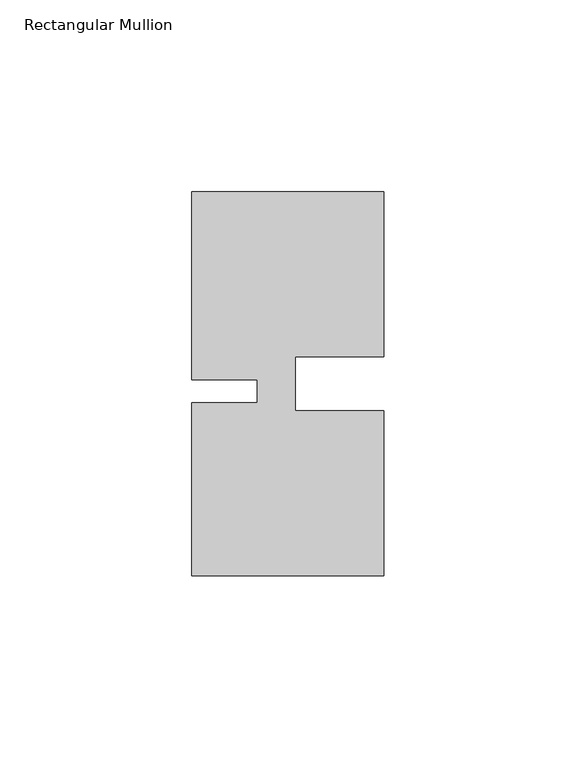
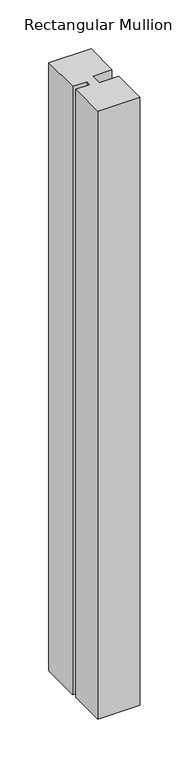
"""IFC4 building model written with IfcOpenShell, lengths in millimetres: member geometry, Rectangular Mullion."""

import ifcopenshell
import ifcopenshell.guid

model = None  # the IFC model being written
_history = None  # IfcOwnerHistory: only IFC2X3 demands one
_inside = {}  # id of a spatial element -> (the spatial element, [elements in it])
_under = {}  # id of a project, library or spatial element -> (it, [spatial elements below it])
_declared = {}  # id of a project -> (the project, [libraries it declares])
_typed = {}  # id of a type object -> (the type object, [elements of that type])
_made_of = {}  # id of a material, layer set ... -> (it, [elements and type objects made of it])


def new_model(schema):
    """Start an empty IFC model of exactly this schema.

    Asked for "IFC4X3", IfcOpenShell would pick the latest addendum, in which some entities
    have other attributes; the version numbers below select the first issue.
    IFC2X3 requires an IfcOwnerHistory on every rooted entity: one is made here for all.
    """
    global model, _history
    if schema == "IFC4X3":
        model = ifcopenshell.file(schema_version=(4, 3, 0, 0))
    else:
        model = ifcopenshell.file(schema=schema)
    _inside.clear()
    _under.clear()
    _declared.clear()
    _typed.clear()
    _made_of.clear()
    _history = None
    if model.schema == "IFC2X3":
        org = make("IfcOrganization", Name="unknown")
        user = make(
            "IfcPersonAndOrganization",
            ThePerson=make("IfcPerson", FamilyName="unknown"),
            TheOrganization=org,
        )
        app = make(
            "IfcApplication",
            ApplicationDeveloper=org,
            Version="unknown",
            ApplicationFullName="unknown",
            ApplicationIdentifier="unknown",
        )
        _history = make(
            "IfcOwnerHistory",
            OwningUser=user,
            OwningApplication=app,
            ChangeAction="ADDED",
            CreationDate=0,
        )
    return model


def make(cls, **values):
    """One entity of the class cls with the attributes given. An attribute that is None is left unset."""
    return model.create_entity(
        cls, **{name: value for name, value in values.items() if value is not None}
    )


def rooted(cls, **values):
    """An entity with a GlobalId (a new one), such as an element, a storey or a relation."""
    return make(cls, GlobalId=ifcopenshell.guid.new(), OwnerHistory=_history, **values)


def si_unit(unit_type, name, prefix=None):
    """IfcSIUnit, for example si_unit("LENGTHUNIT", "METRE", prefix="MILLI")."""
    return make("IfcSIUnit", UnitType=unit_type, Prefix=prefix, Name=name)


def assignment(units):
    """IfcUnitAssignment: the units of a project."""
    return None if units is None else make("IfcUnitAssignment", Units=units)


def point(xyz):
    """IfcCartesianPoint."""
    return None if xyz is None else make("IfcCartesianPoint", Coordinates=xyz)


def direction(xyz):
    """IfcDirection."""
    return None if xyz is None else make("IfcDirection", DirectionRatios=xyz)


def frame(location, z_axis=None, x_axis=None):
    """IfcAxis2Placement3D, a coordinate frame: its origin and axes. An axis left out is left unset."""
    return make(
        "IfcAxis2Placement3D",
        Location=point(location),
        Axis=direction(z_axis),
        RefDirection=direction(x_axis),
    )


def origin():
    """The frame at (0, 0, 0) with its axes left unset."""
    return frame((0.0, 0.0, 0.0))


def place(relative_to, where):
    """IfcLocalPlacement: puts the frame where relative to a parent placement (None: the world)."""
    return make(
        "IfcLocalPlacement", PlacementRelTo=relative_to, RelativePlacement=where
    )


def context(
    kind, dimensions, precision=None, world=None, true_north=None, identifier=None
):
    """IfcGeometricRepresentationContext, for example the 3D "Model" context."""
    return make(
        "IfcGeometricRepresentationContext",
        ContextIdentifier=identifier,
        ContextType=kind,
        CoordinateSpaceDimension=dimensions,
        Precision=precision,
        WorldCoordinateSystem=world,
        TrueNorth=true_north,
    )


def project(units=None, contexts=None):
    """IfcProject with its units and contexts."""
    return rooted(
        "IfcProject",
        Name="project",
        RepresentationContexts=contexts,
        UnitsInContext=assignment(units),
    )


def spatial(cls, under=None, at=None, **own):
    """A site, building, storey or space (cls), placed at a placement, below another one or the project."""
    s = rooted(cls, ObjectPlacement=at, **own)
    if under is not None:
        _under.setdefault(under.id(), (under, []))[1].append(s)
    return s


def polyline(points):
    """IfcPolyline through the points."""
    return make("IfcPolyline", Points=[point(p) for p in points])


def outline(outer, holes=None, kind="AREA"):
    """IfcArbitraryClosedProfileDef: a profile drawn as a closed curve; with holes, ...WithVoids."""
    if holes is None:
        return make("IfcArbitraryClosedProfileDef", ProfileType=kind, OuterCurve=outer)
    return make(
        "IfcArbitraryProfileDefWithVoids",
        ProfileType=kind,
        OuterCurve=outer,
        InnerCurves=holes,
    )


def extrude(swept, where, along, depth):
    """IfcExtrudedAreaSolid: the profile swept, set in the frame where, extruded along a direction by depth."""
    return make(
        "IfcExtrudedAreaSolid",
        SweptArea=swept,
        Position=where,
        ExtrudedDirection=direction(along),
        Depth=depth,
    )


def shape(context_of_items, identifier, shape_type, items):
    """IfcShapeRepresentation: the items that make up one representation, for example the "Body"."""
    return make(
        "IfcShapeRepresentation",
        ContextOfItems=context_of_items,
        RepresentationIdentifier=identifier,
        RepresentationType=shape_type,
        Items=items,
    )


def source(mapping_origin, context_of_items, identifier, shape_type, items):
    """IfcRepresentationMap: a shape defined once, which mapped items show again and again."""
    return make(
        "IfcRepresentationMap",
        MappingOrigin=mapping_origin,
        MappedRepresentation=shape(context_of_items, identifier, shape_type, items),
    )


def transform(
    local_origin,
    x_axis=None,
    y_axis=None,
    z_axis=None,
    scale=None,
    scale2=None,
    scale3=None,
    uniform=True,
):
    """IfcCartesianTransformationOperator3D, or its non-uniform kind. x_axis, y_axis, z_axis: its Axis1, 2, 3."""
    if uniform:
        return make(
            "IfcCartesianTransformationOperator3D",
            Axis1=direction(x_axis),
            Axis2=direction(y_axis),
            LocalOrigin=point(local_origin),
            Scale=scale,
            Axis3=direction(z_axis),
        )
    return make(
        "IfcCartesianTransformationOperator3DnonUniform",
        Axis1=direction(x_axis),
        Axis2=direction(y_axis),
        LocalOrigin=point(local_origin),
        Scale=scale,
        Axis3=direction(z_axis),
        Scale2=scale2,
        Scale3=scale3,
    )


def mapped(mapping_source, mapping_target):
    """IfcMappedItem: shows the shape of a source again, moved by a transform."""
    return make(
        "IfcMappedItem", MappingSource=mapping_source, MappingTarget=mapping_target
    )


def made_of(thing, what):
    """Note that an element or type object is made of a material, layer set ...; save() writes the relation."""
    if what is not None:
        _made_of.setdefault(what.id(), (what, []))[1].append(thing)
    return thing


def element(
    cls,
    number,
    at=None,
    inside=None,
    cuts=None,
    type_object=None,
    material=None,
    context=None,
    identifier="Body",
    shape_type=None,
    held_by="IfcProductDefinitionShape",
    body=None,
    shapes=None,
    **own,
):
    """One element of the class cls, such as IfcWall. Its Tag is "e" and its number.

    at: its placement. inside: the storey or other place that contains it. cuts: it is an
    opening in that element (IfcRelVoidsElement). A single representation is given by context,
    identifier, shape_type and body (its items); several are given by shapes. held_by: the class
    of the entity that holds the representations. save() writes the other relations.
    """
    e = rooted(cls, Tag="e%d" % number, ObjectPlacement=at, **own)
    if body is not None:
        shapes = [shape(context, identifier, shape_type, body)]
    if shapes is not None:
        e.Representation = make(held_by, Representations=shapes)
    if inside is not None:
        _inside.setdefault(inside.id(), (inside, []))[1].append(e)
    if cuts is not None:
        rooted(
            "IfcRelVoidsElement", RelatingBuildingElement=cuts, RelatedOpeningElement=e
        )
    if type_object is not None:
        _typed.setdefault(type_object.id(), (type_object, []))[1].append(e)
    return made_of(e, material)


def aggregate(whole, parts):
    """IfcRelAggregates: a whole, such as a stair, and the parts it consists of."""
    return rooted("IfcRelAggregates", RelatingObject=whole, RelatedObjects=parts)


def save(model, path):
    """Write the relations noted so far, then the file.

    IfcRelAggregates (storeys below a building ...), IfcRelContainedInSpatialStructure (elements
    in a storey), IfcRelDefinesByType, IfcRelAssociatesMaterial and IfcRelDeclares: one each for
    every whole, place, type object, material and project.
    """
    for whole, parts in _under.values():
        aggregate(whole, parts)
    for where, things in _inside.values():
        rooted(
            "IfcRelContainedInSpatialStructure",
            RelatedElements=things,
            RelatingStructure=where,
        )
    for kind, things in _typed.values():
        rooted("IfcRelDefinesByType", RelatedObjects=things, RelatingType=kind)
    for what, things in _made_of.values():
        rooted("IfcRelAssociatesMaterial", RelatedObjects=things, RelatingMaterial=what)
    for by, libraries in _declared.values():
        rooted("IfcRelDeclares", RelatingContext=by, RelatedDefinitions=libraries)
    model.write(path)


def rectangular_mullion_f2810a20(model_context):
    return source(origin(), model_context, "Body", "SweptSolid", [
        extrude(outline(polyline([(-23.0000341, -5.000031), (-4.2e-06, -5.0000287), (0.0, -48.0000271), (-50.0, -48.000032), (-50.0000044, -3.000032), (-33.0004661, -3.0000303), (-33.0004667, 2.999987), (-50.000005, 2.9999853), (-50.0000098, 51.999968), (-3.44e-05, 51.999968), (-3.44e-05, 8.9999707), (-23.0000354, 8.9999684), (-23.0000341, -5.000031)])), frame((0.0, 0.0, -761.0001392), z_axis=(0.0, 0.0, 1.0), x_axis=(1.0, 0.0, 0.0)), (0.0, 0.0, 1.0), 761.0001392),
    ])


if __name__ == "__main__":
    model = new_model("IFC4")
    model_context = context("Model", 3, world=origin())
    ifc_project = project(units=[si_unit("LENGTHUNIT", "METRE", prefix="MILLI")], contexts=[model_context])
    site = spatial("IfcSite", under=ifc_project)
    building = spatial("IfcBuilding", under=site)
    placement = place(None, origin())
    rectangular_mullion_shape = rectangular_mullion_f2810a20(model_context)
    element("IfcMember", 1, ObjectType="Rectangular Mullion", at=placement, inside=building, context=model_context, shape_type="MappedRepresentation", body=[
        mapped(rectangular_mullion_shape, transform((0.0, 0.0, 0.0), x_axis=(1.0, 0.0, 0.0), y_axis=(0.0, 1.0, 0.0), z_axis=(0.0, 0.0, 1.0))),
    ])
    save(model, "model.ifc")
